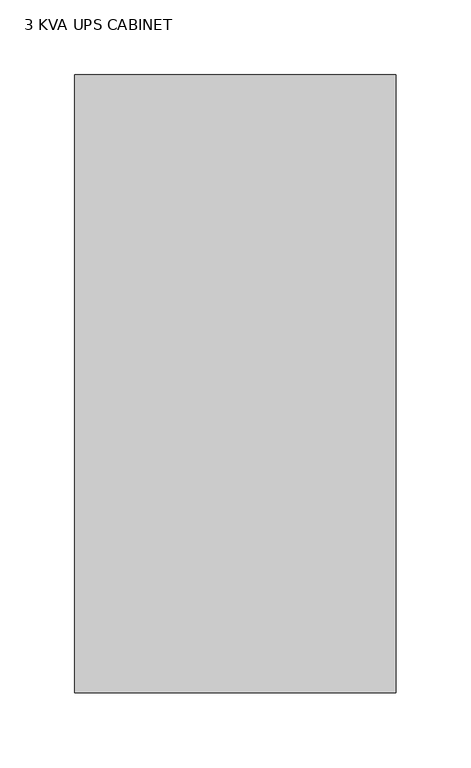
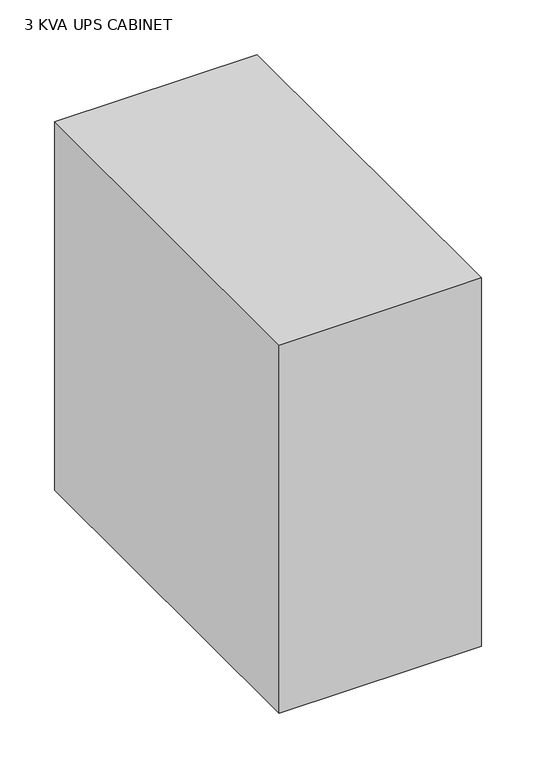
"""IFC4 building model written with IfcOpenShell, lengths in millimetres: proxy geometry, 3 KVA UPS CABINET."""

from ifc_helpers import new_model, si_unit, origin, origin_with_axes, place, context, project, spatial, polyline, outline, extrude, source, transform, mapped, element, save


def proxy_3_kva_ups_cabinet_3b238b63(model_context):
    return source(origin(), model_context, "Body", "SweptSolid", [
        extrude(outline(polyline([(214.122, 0.0), (214.122, -411.988), (0.0, -411.988), (0.0, 0.0), (214.122, 0.0)])), origin_with_axes(), (0.0, 0.0, 1.0), 411.95625),
    ])


if __name__ == "__main__":
    model = new_model("IFC4")
    model_context = context("Model", 3, world=origin())
    ifc_project = project(units=[si_unit("LENGTHUNIT", "METRE", prefix="MILLI")], contexts=[model_context])
    site = spatial("IfcSite", under=ifc_project)
    building = spatial("IfcBuilding", under=site)
    placement = place(None, origin())
    proxy_3_kva_ups_cabinet_shape = proxy_3_kva_ups_cabinet_3b238b63(model_context)
    element("IfcBuildingElementProxy", 1, Name="3 KVA UPS CABINET", ObjectType="3 KVA UPS CABINET", at=placement, inside=building, context=model_context, shape_type="MappedRepresentation", body=[
        mapped(proxy_3_kva_ups_cabinet_shape, transform((0.0, 0.0, 0.0), x_axis=(1.0, 0.0, 0.0), y_axis=(0.0, 1.0, 0.0), z_axis=(0.0, 0.0, 1.0))),
    ])
    save(model, "model.ifc")
